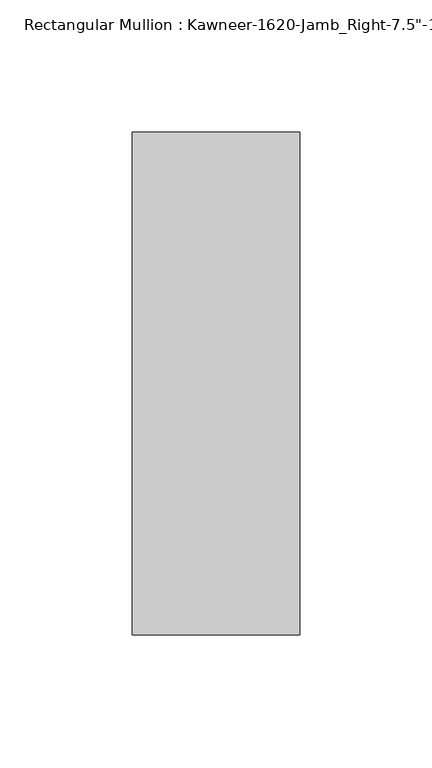
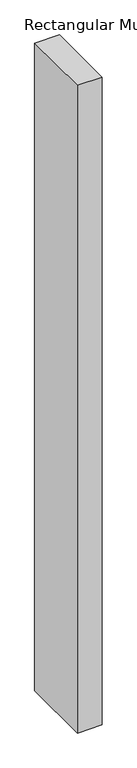
"""IFC4 building model written with IfcOpenShell, lengths in millimetres: member geometry."""

from ifc_helpers import new_model, si_unit, frame, origin, place, context, project, spatial, polyline, outline, extrude, source, transform, mapped, element, save


def member_2caea50e(model_context):
    return source(origin(), model_context, "Body", "SweptSolid", [
        extrude(outline(polyline([(-22.225, 38.1), (41.275, 38.1), (41.275, -152.4), (-22.225, -152.4), (-22.225, 38.1)])), frame((0.0, 0.0, -1765.3), z_axis=(0.0, 0.0, 1.0), x_axis=(1.0, 0.0, 0.0)), (0.0, 0.0, 1.0), 1765.3),
    ])


if __name__ == "__main__":
    model = new_model("IFC4")
    model_context = context("Model", 3, world=origin())
    ifc_project = project(units=[si_unit("LENGTHUNIT", "METRE", prefix="MILLI")], contexts=[model_context])
    site = spatial("IfcSite", under=ifc_project)
    building = spatial("IfcBuilding", under=site)
    placement = place(None, origin())
    member_shape = member_2caea50e(model_context)
    element("IfcMember", 1, ObjectType="Rectangular Mullion : Kawneer-1620-Jamb_Right-7.5\"-1\"Infill", at=placement, inside=building, context=model_context, shape_type="MappedRepresentation", body=[
        mapped(member_shape, transform((0.0, 0.0, 0.0), x_axis=(1.0, 0.0, 0.0), y_axis=(0.0, 1.0, 0.0), z_axis=(0.0, 0.0, 1.0))),
    ])
    save(model, "model.ifc")
